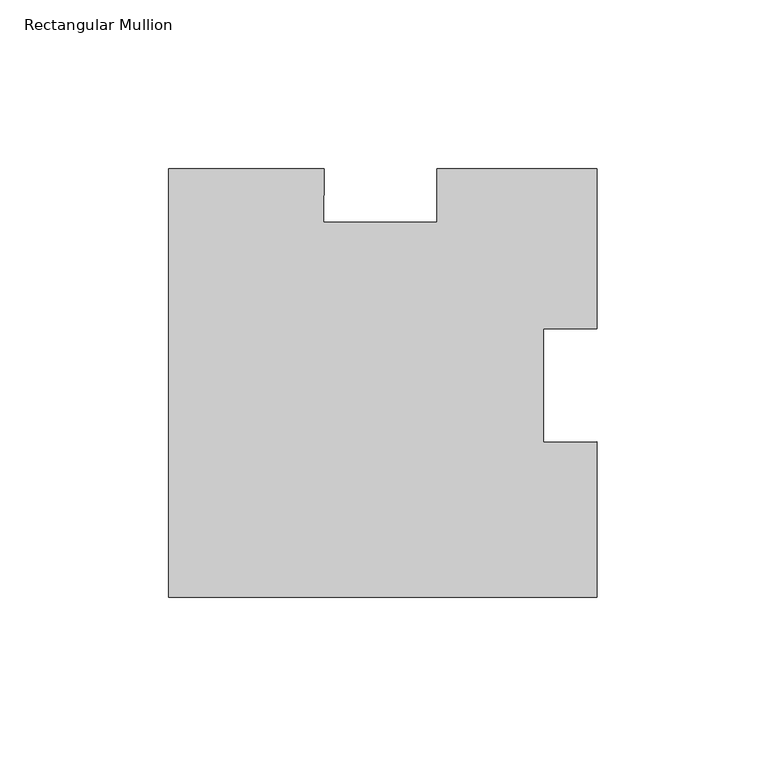
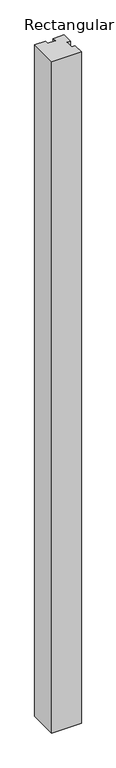
"""IFC4 building model written with IfcOpenShell, lengths in millimetres: member geometry, Rectangular Mullion."""

from ifc_helpers import new_model, si_unit, frame, origin, place, context, project, spatial, polyline, outline, extrude, source, transform, mapped, element, save


def rectangular_mullion_a8da4e51(model_context):
    return source(origin(), model_context, "Body", "SweptSolid", [
        extrude(outline(polyline([(-80.8908185, 63.5), (-81.0848677, 47.625), (-47.4593888, 47.625), (-47.4593888, 63.5), (0.0, 63.5), (0.0, 16.0406112), (-15.875, 16.0406112), (-15.875, -17.5848677), (0.0, -17.3908185), (0.0, -63.5), (-127.0, -63.5), (-127.0, 63.5), (-80.8908185, 63.5)])), frame((0.0, 0.0, -3048.0), z_axis=(0.0, 0.0, 1.0), x_axis=(1.0, 0.0, 0.0)), (0.0, 0.0, 1.0), 3048.0),
    ])


if __name__ == "__main__":
    model = new_model("IFC4")
    model_context = context("Model", 3, world=origin())
    ifc_project = project(units=[si_unit("LENGTHUNIT", "METRE", prefix="MILLI")], contexts=[model_context])
    site = spatial("IfcSite", under=ifc_project)
    building = spatial("IfcBuilding", under=site)
    placement = place(None, origin())
    rectangular_mullion_shape = rectangular_mullion_a8da4e51(model_context)
    element("IfcMember", 1, ObjectType="Rectangular Mullion", at=placement, inside=building, context=model_context, shape_type="MappedRepresentation", body=[
        mapped(rectangular_mullion_shape, transform((0.0, 0.0, 0.0), x_axis=(1.0, 0.0, 0.0), y_axis=(0.0, 1.0, 0.0), z_axis=(0.0, 0.0, 1.0))),
    ])
    save(model, "model.ifc")
